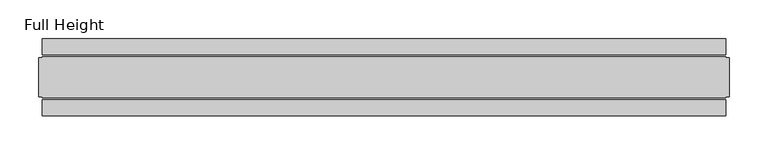
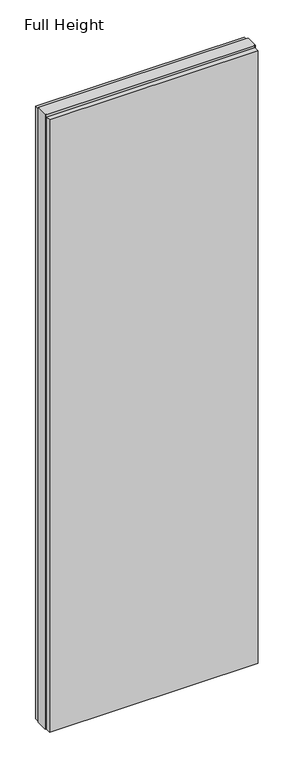
"""IFC4 building model written with IfcOpenShell, lengths in millimetres: plate geometry, Full Height."""

from ifc_helpers import new_model, si_unit, origin, origin_with_axes, place, context, project, spatial, polyline, outline, extrude, source, transform, mapped, element, save


def full_height_819f75a0(model_context):
    return source(origin(), model_context, "Body", "SweptSolid", [
        extrude(outline(polyline([(439.928, 28.956), (-439.928, 28.956), (-439.928, 49.53), (439.928, 49.53), (439.928, 28.956)])), origin_with_axes(), (0.0, 0.0, 1.0), 2734.056),
        extrude(outline(polyline([(439.928, -28.956), (439.928, -49.53), (-439.928, -49.53), (-439.928, -28.956), (439.928, -28.956)])), origin_with_axes(), (0.0, 0.0, 1.0), 2734.056),
        extrude(outline(polyline([(439.928, -25.146), (439.928, -26.67), (-439.928, -26.67), (-439.928, -25.146), (-444.5, -25.146), (-444.5, 25.146), (-439.928, 25.146), (-439.928, 26.67), (439.928, 26.67), (439.928, 25.146), (444.5, 25.146), (444.5, -25.146), (439.928, -25.146)])), origin_with_axes(), (0.0, 0.0, 1.0), 2743.2),
    ])


if __name__ == "__main__":
    model = new_model("IFC4")
    model_context = context("Model", 3, world=origin())
    ifc_project = project(units=[si_unit("LENGTHUNIT", "METRE", prefix="MILLI")], contexts=[model_context])
    site = spatial("IfcSite", under=ifc_project)
    building = spatial("IfcBuilding", under=site)
    placement = place(None, origin())
    full_height_shape = full_height_819f75a0(model_context)
    element("IfcPlate", 1, ObjectType="Full Height", at=placement, inside=building, context=model_context, shape_type="MappedRepresentation", body=[
        mapped(full_height_shape, transform((0.0, 0.0, 0.0), x_axis=(1.0, 0.0, 0.0), y_axis=(0.0, 1.0, 0.0), z_axis=(0.0, 0.0, 1.0))),
    ])
    save(model, "model.ifc")
